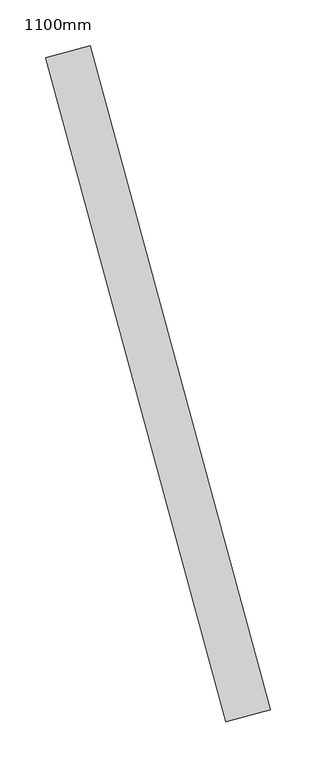
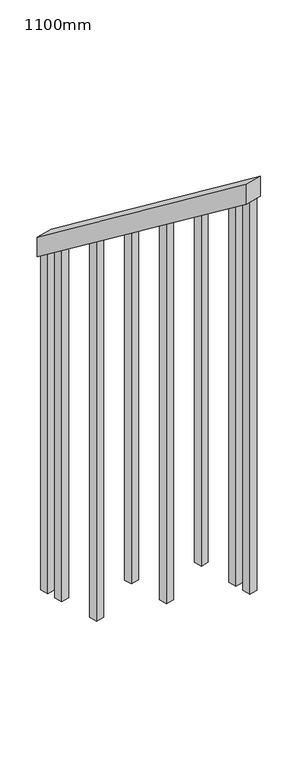
"""IFC4 building model written with IfcOpenShell, lengths in millimetres: railing geometry, 1100mm."""

from ifc_helpers import new_model, si_unit, frame, origin, place, context, project, spatial, polyline, outline, extrude, source, transform, mapped, element, save


def railing_1100mm_48b8aab4(model_context):
    return source(origin(), model_context, "Body", "SweptSolid", [
        extrude(outline(polyline([(35.5555555, -50.0), (0.0, 0.0), (920.2958461, 0.0), (955.8514016, -50.0), (35.5555555, -50.0)])), frame((108024.2821746, 19047.2445335, 1216.4247214), z_axis=(0.9649894123601861, 0.26228883703418043, 0.0), x_axis=(0.21375368431593786, -0.7864232597553563, 0.5795237863600784)), (0.0, 0.0, 1.0), 50.0),
        extrude(outline(polyline([(108.8888889, 0.0), (1271.980277, 0.0), (1271.980277, -25.0), (91.1111112, -25.0), (108.8888889, 0.0)])), frame((108213.3895072, 18399.1552907, 1805.3136103), z_axis=(0.9649894123601861, 0.26228883703418043, 0.0), x_axis=(0.0, 0.0, -1.0)), (0.0, 0.0, 1.0), 25.0),
        extrude(outline(polyline([(108.8888889, 0.0), (1183.0913881, 0.0), (1183.0913881, -25.0), (91.1111111, -25.0), (108.8888889, 0.0)])), frame((108180.6034026, 18519.7789672, 1716.4247214), z_axis=(0.9649894123601861, 0.26228883703418043, 0.0), x_axis=(0.0, 0.0, -1.0)), (0.0, 0.0, 1.0), 25.0),
        extrude(outline(polyline([(108.8888889, 0.0), (1271.9802769, 0.0), (1271.9802769, -25.0000001), (91.1111111, -25.0000001), (108.8888889, 0.0)])), frame((108147.8172979, 18640.4026438, 1627.5358325), z_axis=(0.9649894123601861, 0.26228883703418043, 0.0), x_axis=(0.0, 0.0, -1.0)), (0.0, 0.0, 1.0), 25.0),
        extrude(outline(polyline([(108.8888889, 0.0), (1183.091388, 0.0), (1183.091388, -25.0), (91.1111111, -25.0), (108.8888889, 0.0)])), frame((108115.0311933, 18761.0263203, 1538.6469436), z_axis=(0.9649894123601861, 0.26228883703418043, 0.0), x_axis=(0.0, 0.0, -1.0)), (0.0, 0.0, 1.0), 25.0),
        extrude(outline(polyline([(108.8888889, 0.0), (1271.9802769, 0.0), (1271.9802769, -25.0), (91.1111111, -25.0), (108.8888889, 0.0)])), frame((108082.2450887, 18881.6499968, 1449.7580547), z_axis=(0.9649894123601861, 0.26228883703418043, 0.0), x_axis=(0.0, 0.0, -1.0)), (0.0, 0.0, 1.0), 25.0),
        extrude(outline(polyline([(108.8888889, 0.0), (1183.091388, 0.0), (1183.091388, -25.0), (91.1111111, -25.0), (108.8888889, 0.0)])), frame((108049.4589841, 19002.2736734, 1360.8691658), z_axis=(0.9649894123601861, 0.26228883703418043, 0.0), x_axis=(0.0, 0.0, -1.0)), (0.0, 0.0, 1.0), 25.0),
        extrude(outline(polyline([(108.8888889, 0.0), (1307.5358325, 0.0), (1307.5358325, -25.0), (91.1111111, -25.0), (108.8888889, 0.0)])), frame((108226.5039491, 18350.90582, 1840.8691658), z_axis=(0.9649894123601861, 0.26228883703418043, 0.0), x_axis=(0.0, 0.0, -1.0)), (0.0, 0.0, 1.0), 25.0),
        extrude(outline(polyline([(108.8888889, 0.0), (1147.5358325, 0.0), (1147.5358325, -25.0), (91.1111112, -25.0), (108.8888889, 0.0)])), frame((108036.3445422, 19050.523144, 1325.3136103), z_axis=(0.9649894123601861, 0.26228883703418043, 0.0), x_axis=(0.0, 0.0, -1.0)), (0.0, 0.0, 1.0), 25.0),
    ])


if __name__ == "__main__":
    model = new_model("IFC4")
    model_context = context("Model", 3, world=origin())
    ifc_project = project(units=[si_unit("LENGTHUNIT", "METRE", prefix="MILLI")], contexts=[model_context])
    site = spatial("IfcSite", under=ifc_project)
    building = spatial("IfcBuilding", under=site)
    placement = place(None, origin())
    railing_1100mm_shape = railing_1100mm_48b8aab4(model_context)
    element("IfcRailing", 1, ObjectType="1100mm", at=placement, inside=building, context=model_context, shape_type="MappedRepresentation", body=[
        mapped(railing_1100mm_shape, transform((0.0, 0.0, 0.0), x_axis=(1.0, 0.0, 0.0), y_axis=(0.0, 1.0, 0.0), z_axis=(0.0, 0.0, 1.0))),
    ])
    save(model, "model.ifc")
